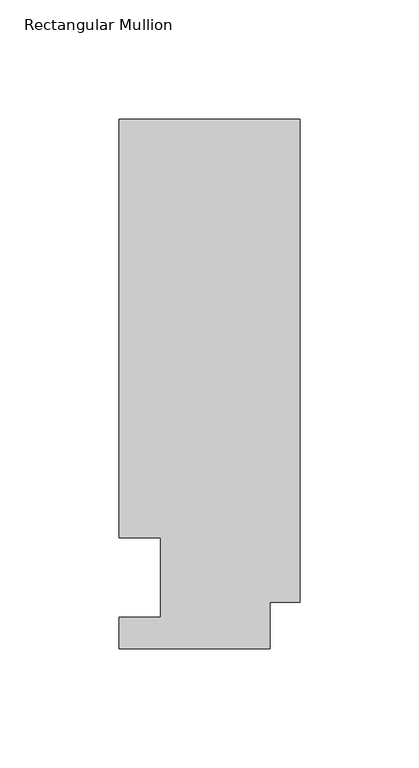
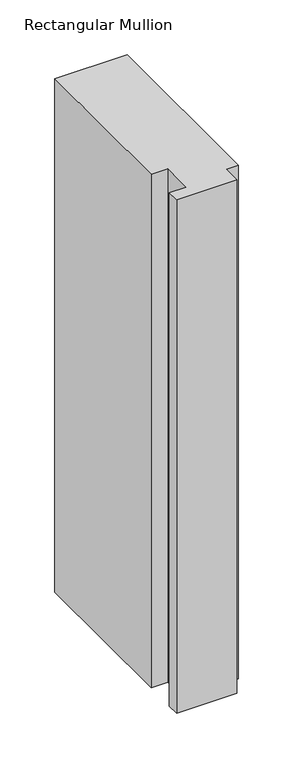
"""IFC4 building model written with IfcOpenShell, lengths in millimetres: member geometry, Rectangular Mullion."""

from ifc_helpers import new_model, si_unit, frame, origin, place, context, project, spatial, polyline, outline, extrude, source, transform, mapped, element, save


def rectangular_mullion_de46b6ef(model_context):
    return source(origin(), model_context, "Body", "SweptSolid", [
        extrude(outline(polyline([(0.0, 222.5381313), (0.0, 19.5667313), (-12.7, 19.5667313), (-12.7, 0.041758), (-76.2, 0.041758), (-76.2, 13.224358), (-58.7676635, 13.224358), (-58.7676635, 46.7447302), (-76.2000001, 46.7447302), (-76.2000001, 222.5381313), (0.0, 222.5381313)])), frame((0.0, 0.0, -571.8194229), z_axis=(0.0, 0.0, 1.0), x_axis=(1.0, 0.0, 0.0)), (0.0, 0.0, 1.0), 571.8194229),
    ])


if __name__ == "__main__":
    model = new_model("IFC4")
    model_context = context("Model", 3, world=origin())
    ifc_project = project(units=[si_unit("LENGTHUNIT", "METRE", prefix="MILLI")], contexts=[model_context])
    site = spatial("IfcSite", under=ifc_project)
    building = spatial("IfcBuilding", under=site)
    placement = place(None, origin())
    rectangular_mullion_shape = rectangular_mullion_de46b6ef(model_context)
    element("IfcMember", 1, ObjectType="Rectangular Mullion", at=placement, inside=building, context=model_context, shape_type="MappedRepresentation", body=[
        mapped(rectangular_mullion_shape, transform((0.0, 0.0, 0.0), x_axis=(1.0, 0.0, 0.0), y_axis=(0.0, 1.0, 0.0), z_axis=(0.0, 0.0, 1.0))),
    ])
    save(model, "model.ifc")
